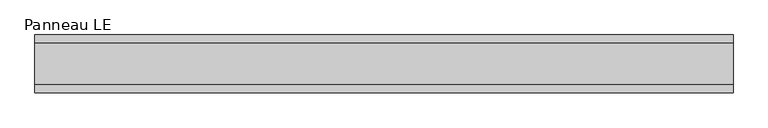
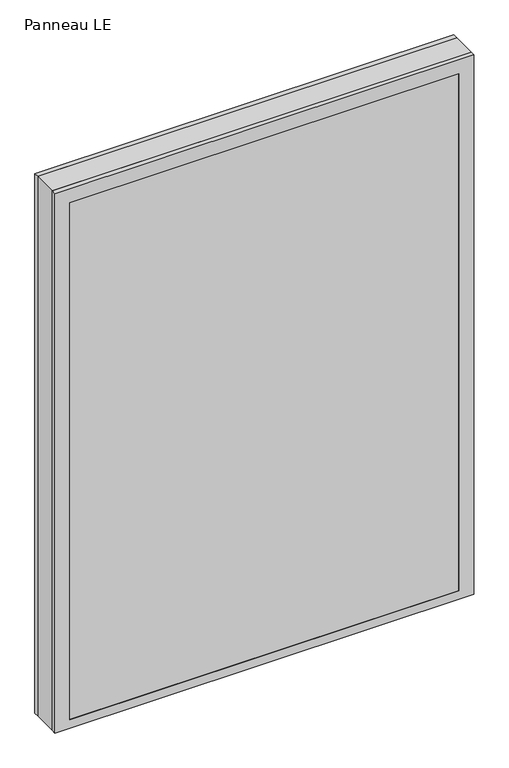
"""IFC4 building model written with IfcOpenShell, lengths in millimetres: plate geometry, Panneau LE."""

from ifc_helpers import new_model, si_unit, frame, origin, place, context, project, spatial, polyline, outline, extrude, faceted_brep, source, transform, mapped, element, save


def panneau_le_f08d7c1e(model_context):
    return source(origin(), model_context, "Body", "SolidModel", [
        faceted_brep([(-544.8750001, 33.0, 1483.5), (-544.8750001, 45.0, 1483.5), (-544.8750001, 45.0, 0.0), (-544.8750001, 33.0, 0.0), (544.8750001, 33.0, 0.0), (544.8750001, 45.0, 0.0), (544.8750001, 45.0, 1483.5), (544.8750001, 33.0, 1483.5), (-505.8750001, 45.0, 1444.5), (-505.8750001, 45.0, 23.0), (505.8750001, 45.0, 23.0), (505.8750001, 45.0, 1444.5), (505.8750001, 43.8, 1444.5), (-505.8750001, 43.8, 1444.5), (-520.8750001, 43.8, 1459.5), (-520.8750001, 43.8, 8.0), (520.8750001, 43.8, 8.0), (520.8750001, 43.8, 1459.5), (505.8750001, 43.8, 23.0), (-505.8750001, 43.8, 23.0), (520.8750001, 33.0, 1459.5), (-520.8750001, 33.0, 1459.5), (520.8750001, 33.0, 8.0), (-520.8750001, 33.0, 8.0)], [[[0, 1, 2, 3]], [[4, 5, 6, 7]], [[6, 1, 0, 7]], [[2, 1, 6, 5], [8, 9, 10, 11]], [[8, 11, 12, 13]], [[14, 15, 16, 17], [13, 12, 18, 19]], [[14, 17, 20, 21]], [[0, 3, 4, 7], [20, 22, 23, 21]], [[23, 22, 16, 15]], [[19, 18, 10, 9]], [[4, 3, 2, 5]], [[21, 23, 15, 14]], [[13, 19, 9, 8]], [[18, 12, 11, 10]], [[22, 20, 17, 16]]]),
        faceted_brep([(-544.8750001, -33.0, 0.0), (-544.8750001, -45.0, 0.0), (-544.8750001, -45.0, 1483.5), (-544.8750001, -33.0, 1483.5), (544.8750001, -45.0, 0.0), (544.8750001, -33.0, 0.0), (544.8750001, -33.0, 1483.5), (544.8750001, -45.0, 1483.5), (505.8750001, -45.0, 1444.5), (505.8750001, -45.0, 23.0), (-505.8750001, -45.0, 23.0), (-505.8750001, -45.0, 1444.5), (-520.8750001, -33.0, 1459.5), (-520.8750001, -33.0, 8.0), (520.8750001, -33.0, 8.0), (520.8750001, -33.0, 1459.5), (520.8750001, -43.8, 1459.5), (-520.8750001, -43.8, 1459.5), (520.8750001, -43.8, 8.0), (-520.8750001, -43.8, 8.0), (-505.8750001, -43.8, 1444.5), (-505.8750001, -43.8, 23.0), (505.8750001, -43.8, 23.0), (505.8750001, -43.8, 1444.5)], [[[0, 1, 2, 3]], [[4, 5, 6, 7]], [[2, 1, 4, 7], [8, 9, 10, 11]], [[6, 3, 2, 7]], [[0, 3, 6, 5], [12, 13, 14, 15]], [[12, 15, 16, 17]], [[17, 16, 18, 19], [20, 21, 22, 23]], [[8, 11, 20, 23]], [[10, 9, 22, 21]], [[19, 18, 14, 13]], [[4, 1, 0, 5]], [[11, 10, 21, 20]], [[17, 19, 13, 12]], [[18, 16, 15, 14]], [[9, 8, 23, 22]]]),
        extrude(outline(polyline([(1483.5, 544.8750001), (1483.5, -544.8750001), (0.0, -544.8750001), (0.0, 544.8750001), (1483.5, 544.8750001)]), holes=[polyline([(30.0, -504.8750001), (1437.5, -504.8750001), (1437.5, 504.8750001), (30.0, 504.8750001), (30.0, -504.8750001)])]), frame((0.0, -33.0, 0.0), z_axis=(0.0, 1.0, 0.0), x_axis=(0.0, 0.0, 1.0)), (0.0, 0.0, 1.0), 66.0),
        extrude(outline(polyline([(520.8750001, 37.8), (-520.8750001, 37.8), (-520.8750001, 43.8), (520.8750001, 43.8), (520.8750001, 37.8)])), frame((0.0, 0.0, 8.0), z_axis=(0.0, 0.0, 1.0), x_axis=(1.0, 0.0, 0.0)), (0.0, 0.0, 1.0), 1451.5),
        extrude(outline(polyline([(-520.8750001, -43.8), (-520.8750001, -37.8), (520.8750001, -37.8), (520.8750001, -43.8), (-520.8750001, -43.8)])), frame((0.0, 0.0, 8.0), z_axis=(0.0, 0.0, 1.0), x_axis=(1.0, 0.0, 0.0)), (0.0, 0.0, 1.0), 1451.5),
    ])


if __name__ == "__main__":
    model = new_model("IFC4")
    model_context = context("Model", 3, world=origin())
    ifc_project = project(units=[si_unit("LENGTHUNIT", "METRE", prefix="MILLI")], contexts=[model_context])
    site = spatial("IfcSite", under=ifc_project)
    building = spatial("IfcBuilding", under=site)
    placement = place(None, origin())
    panneau_le_shape = panneau_le_f08d7c1e(model_context)
    element("IfcPlate", 1, ObjectType="Panneau LE", at=placement, inside=building, context=model_context, shape_type="MappedRepresentation", body=[
        mapped(panneau_le_shape, transform((0.0, 0.0, 0.0), x_axis=(1.0, 0.0, 0.0), y_axis=(0.0, 1.0, 0.0), z_axis=(0.0, 0.0, 1.0))),
    ])
    save(model, "model.ifc")
